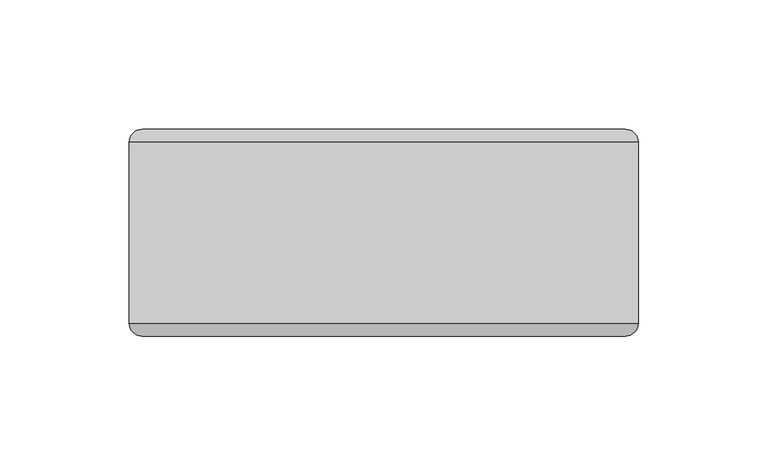
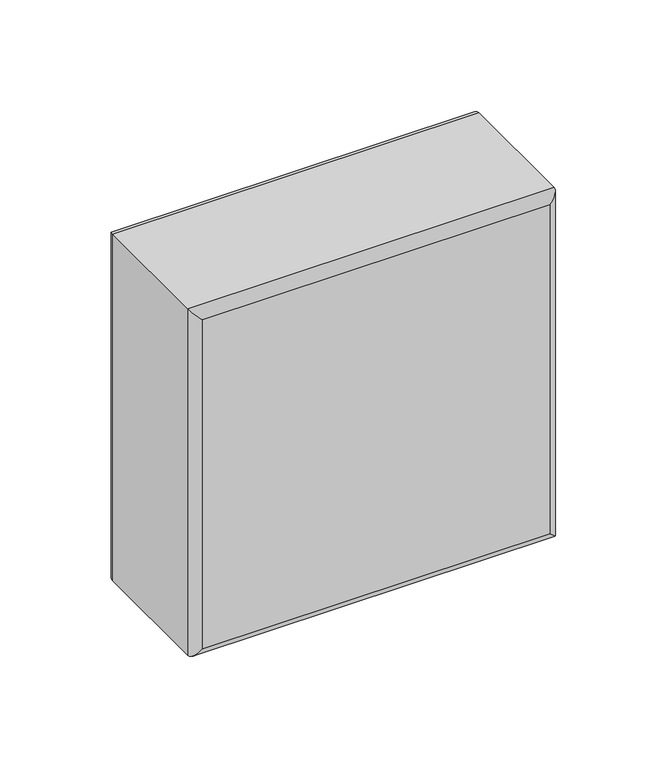
"""IFC4 building model written with IfcOpenShell, lengths in millimetres: plate geometry."""

from ifc_helpers import new_model, si_unit, frame, origin, place, context, project, spatial, ellipse_curve, source, transform, mapped, element, save
from ifc_brep_helpers import plane_surface, cylinder_surface, advanced_brep


def plate_2eb171c2(model_context):
    return source(origin(), model_context, "Body", "AdvancedBrep", [
        advanced_brep(
        [(-98.4249998, -35.0, 197.0), (98.5750002, -35.0, 197.0), (98.5750002, 35.0, 197.0), (-98.4249998, 35.0, 197.0), (98.5750002, -35.0, 0.0), (-98.4249998, -35.0, 0.0), (-98.4249998, 35.0, 0.0), (98.5750002, 35.0, 0.0), (-93.4249998, -40.0, 5.0), (93.5750002, -40.0, 5.0), (93.5750002, -40.0, 192.0), (-93.4249998, -40.0, 192.0), (93.5750002, 40.0, 5.0), (-93.4249998, 40.0, 5.0), (-93.4249998, 40.0, 192.0), (93.5750002, 40.0, 192.0)],
        [
            (0, 1),
            (1, 2),
            (2, 3),
            (3, 0),
            (4, 5),
            (5, 6),
            (6, 7),
            (7, 4),
            (8, 9),
            (9, 10),
            (10, 11),
            (11, 8),
            (1, 4),
            (7, 2),
            (12, 13),
            (13, 14),
            (14, 15),
            (15, 12),
            (5, 0),
            (3, 6),
            (4, 9, ellipse_curve(frame((93.5750002, -35.0, 5.0), z_axis=(-0.7071067811865475, 0.0, -0.7071067811865475), x_axis=(0.7071067811865476, 0.0, -0.7071067811865474)), 7.0710678, 5.0)),
            (8, 5, ellipse_curve(frame((-93.4249998, -35.0, 5.0), z_axis=(0.7071067811865475, 0.0, -0.7071067811865475), x_axis=(0.7071067811865476, 0.0, 0.7071067811865474)), 7.0710678, 5.0)),
            (1, 10, ellipse_curve(frame((93.5750002, -35.0, 192.0), z_axis=(0.7071067811865475, 0.0, -0.7071067811865475), x_axis=(0.7071067811865474, 0.0, 0.7071067811865476)), 7.0710678, 5.0)),
            (0, 11, ellipse_curve(frame((-93.4249998, -35.0, 192.0), z_axis=(0.7071067811865475, 0.0, 0.7071067811865475), x_axis=(-0.7071067811865476, 0.0, 0.7071067811865474)), 7.0710678, 5.0)),
            (12, 7, ellipse_curve(frame((93.5750002, 35.0, 5.0), z_axis=(-0.7071067811865475, 0.0, -0.7071067811865475), x_axis=(0.7071067811865476, 0.0, -0.7071067811865474)), 7.0710678, 5.0)),
            (6, 13, ellipse_curve(frame((-93.4249998, 35.0, 5.0), z_axis=(0.7071067811865475, 0.0, -0.7071067811865475), x_axis=(0.7071067811865476, 0.0, 0.7071067811865474)), 7.0710678, 5.0)),
            (15, 2, ellipse_curve(frame((93.5750002, 35.0, 192.0), z_axis=(0.7071067811865475, 0.0, -0.7071067811865475), x_axis=(0.7071067811865474, 0.0, 0.7071067811865476)), 7.0710678, 5.0)),
            (14, 3, ellipse_curve(frame((-93.4249998, 35.0, 192.0), z_axis=(0.7071067811865475, 0.0, 0.7071067811865475), x_axis=(-0.7071067811865476, 0.0, 0.7071067811865474)), 7.0710678, 5.0)),
        ],
        [
            plane_surface(frame((-98.4249998, -40.0, 197.0), z_axis=(0.0, 0.0, 1.0), x_axis=(1.0, 0.0, 0.0))),
            plane_surface(frame((-98.4249998, -40.0, 0.0), z_axis=(0.0, 0.0, -1.0), x_axis=(-1.0, 0.0, 0.0))),
            plane_surface(frame((-98.4249998, -40.0, 197.0), z_axis=(0.0, -1.0, 0.0), x_axis=(0.0, 0.0, -1.0))),
            plane_surface(frame((98.5750002, -40.0, 197.0), z_axis=(1.0, 0.0, 0.0), x_axis=(0.0, 0.0, -1.0))),
            plane_surface(frame((98.5750002, 40.0, 197.0), z_axis=(0.0, 1.0, 0.0), x_axis=(0.0, 0.0, -1.0))),
            plane_surface(frame((-98.4249998, 40.0, 197.0), z_axis=(-1.0, 0.0, 0.0), x_axis=(0.0, 0.0, -1.0))),
            cylinder_surface(frame((-98.4249998, -35.0, 5.0), z_axis=(1.0, 0.0, 0.0), x_axis=(0.0, 0.0, -1.0)), 5.0),
            cylinder_surface(frame((93.5750002, -35.0, 0.0), z_axis=(0.0, 0.0, 1.0), x_axis=(1.0, 0.0, 0.0)), 5.0),
            cylinder_surface(frame((98.5750002, -35.0, 192.0), z_axis=(-1.0, 0.0, 0.0), x_axis=(0.0, 0.0, 1.0)), 5.0),
            cylinder_surface(frame((-93.4249998, -35.0, 197.0), z_axis=(0.0, 0.0, -1.0), x_axis=(-1.0, 0.0, 0.0)), 5.0),
            cylinder_surface(frame((-98.4249998, 35.0, 5.0), z_axis=(1.0, 0.0, 0.0), x_axis=(0.0, 0.0, -1.0)), 5.0),
            cylinder_surface(frame((93.5750002, 35.0, 0.0), z_axis=(0.0, 0.0, 1.0), x_axis=(1.0, 0.0, 0.0)), 5.0),
            cylinder_surface(frame((98.5750002, 35.0, 192.0), z_axis=(-1.0, 0.0, 0.0), x_axis=(0.0, 0.0, 1.0)), 5.0),
            cylinder_surface(frame((-93.4249998, 35.0, 197.0), z_axis=(0.0, 0.0, -1.0), x_axis=(-1.0, 0.0, 0.0)), 5.0),
        ],
        [
            (0, [[1, 2, 3, 4]]),
            (1, [[5, 6, 7, 8]]),
            (2, [[9, 10, 11, 12]]),
            (3, [[13, -8, 14, -2]]),
            (4, [[15, 16, 17, 18]]),
            (5, [[19, -4, 20, -6]]),
            (6, [[21, -9, 22, -5]]),
            (7, [[-21, -13, 23, -10]]),
            (8, [[-23, -1, 24, -11]]),
            (9, [[-22, -12, -24, -19]]),
            (10, [[25, -7, 26, -15]]),
            (11, [[-25, -18, 27, -14]]),
            (12, [[-27, -17, 28, -3]]),
            (13, [[-26, -20, -28, -16]]),
        ],
    ),
    ])


if __name__ == "__main__":
    model = new_model("IFC4")
    model_context = context("Model", 3, world=origin())
    ifc_project = project(units=[si_unit("LENGTHUNIT", "METRE", prefix="MILLI")], contexts=[model_context])
    site = spatial("IfcSite", under=ifc_project)
    building = spatial("IfcBuilding", under=site)
    placement = place(None, origin())
    plate_shape = plate_2eb171c2(model_context)
    element("IfcPlate", 1, at=placement, inside=building, context=model_context, shape_type="MappedRepresentation", body=[
        mapped(plate_shape, transform((0.0, 0.0, 0.0), x_axis=(1.0, 0.0, 0.0), y_axis=(0.0, 1.0, 0.0), z_axis=(0.0, 0.0, 1.0))),
    ])
    save(model, "model.ifc")
